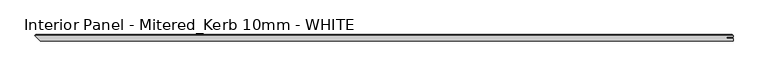
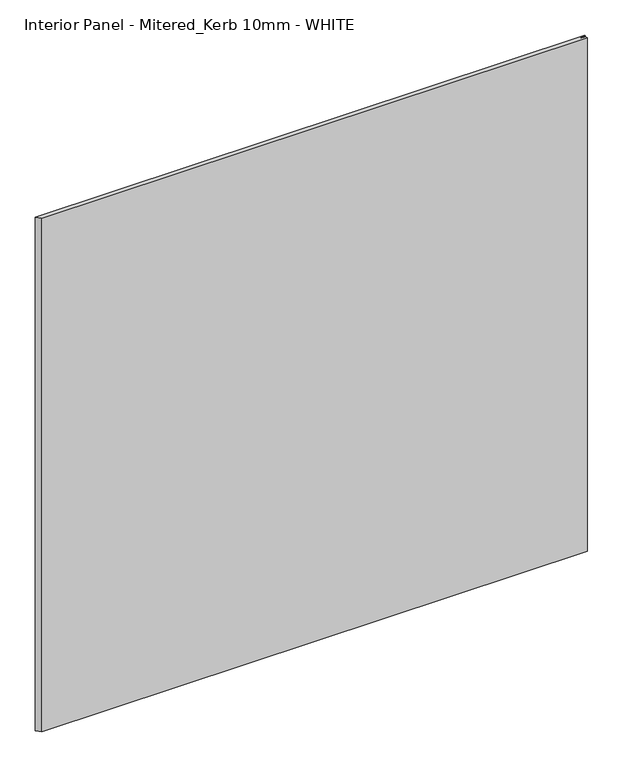
"""IFC4 building model written with IfcOpenShell, lengths in millimetres: proxy geometry, Interior Panel - Mitered_Kerb 10mm - WHITE."""

from ifc_helpers import new_model, si_unit, origin, place, context, project, spatial, faceted_brep, source, transform, mapped, element, save


def interior_panel_mitered_kerb_10mm_white_b9b1540f(model_context):
    return source(origin(), model_context, "Body", "Brep", [
        faceted_brep([(1003.3, -3.175, 1063.625), (1003.3, 0.5207, 1063.625), (993.4773437, 0.5207, 1063.625), (993.4773437, 2.6543, 1063.625), (1003.3, 2.6543, 1063.625), (1003.3, 4.7625, 1063.625), (-73.025, 4.7625, 1063.625), (-65.0875, -3.175, 1063.625), (1003.3, -3.175, 0.0), (-65.0875, -3.175, 0.0), (-73.025, 4.7625, 0.0), (1003.3, 4.7625, 0.0), (1003.3, 2.6543, 0.0), (993.4773437, 2.6543, 0.0), (993.4773437, 0.5207, 0.0), (1003.3, 0.5207, 0.0), (-71.4375, 6.35, 1062.0375), (1001.7125, 6.35, 1062.0375), (1001.7125, 6.35, 1.5875), (-71.4375, 6.35, 1.5875)], [[[0, 1, 2, 3, 4, 5, 6, 7]], [[8, 9, 10, 11, 12, 13, 14, 15]], [[7, 9, 8, 0]], [[16, 17, 18, 19]], [[4, 12, 11, 5]], [[11, 18, 17, 5]], [[5, 17, 16, 6]], [[10, 19, 18, 11]], [[3, 13, 12, 4]], [[2, 14, 13, 3]], [[1, 15, 14, 2]], [[0, 8, 15, 1]], [[6, 10, 9, 7]], [[6, 16, 19, 10]]]),
    ])


if __name__ == "__main__":
    model = new_model("IFC4")
    model_context = context("Model", 3, world=origin())
    ifc_project = project(units=[si_unit("LENGTHUNIT", "METRE", prefix="MILLI")], contexts=[model_context])
    site = spatial("IfcSite", under=ifc_project)
    building = spatial("IfcBuilding", under=site)
    placement = place(None, origin())
    interior_panel_mitered_kerb_10mm_white_shape = interior_panel_mitered_kerb_10mm_white_b9b1540f(model_context)
    element("IfcBuildingElementProxy", 1, Name="Interior Panel - Mitered_Kerb 10mm - WHITE", ObjectType="Interior Panel - Mitered_Kerb 10mm - WHITE", at=placement, inside=building, context=model_context, shape_type="MappedRepresentation", body=[
        mapped(interior_panel_mitered_kerb_10mm_white_shape, transform((0.0, 0.0, 0.0), x_axis=(1.0, 0.0, 0.0), y_axis=(0.0, 1.0, 0.0), z_axis=(0.0, 0.0, 1.0))),
    ])
    save(model, "model.ifc")
